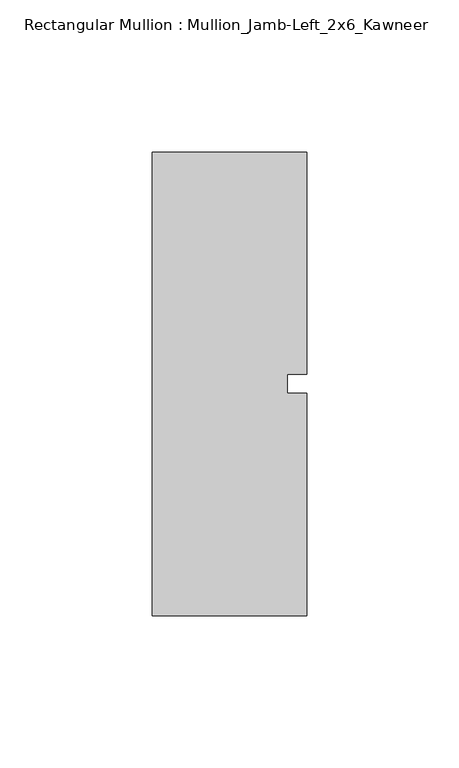
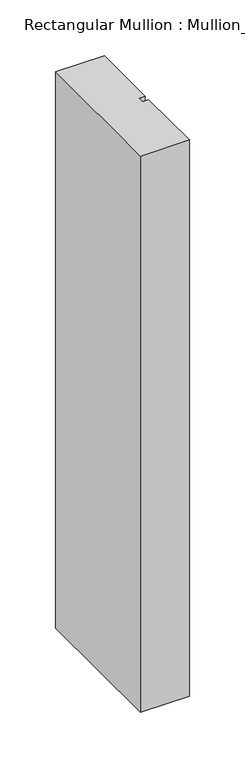
"""IFC4 building model written with IfcOpenShell, lengths in millimetres: member geometry, Rectangular Mullion : Mullion_Jamb-Left_2x6_Kawneer."""

from ifc_helpers import new_model, si_unit, frame, origin, place, context, project, spatial, polyline, outline, extrude, source, transform, mapped, element, save


def rectangular_mullion_mullion_jamb_left_2x6_kawneer_998de290(model_context):
    return source(origin(), model_context, "Body", "SweptSolid", [
        extrude(outline(polyline([(25.4, 76.2), (25.4, 3.175), (19.05, 3.175), (19.05, -3.175), (25.4, -3.175), (25.4, -76.2), (-25.4, -76.2), (-25.4, 76.2), (25.4, 76.2)])), frame((0.0, 0.0, -609.6), z_axis=(0.0, 0.0, 1.0), x_axis=(1.0, 0.0, 0.0)), (0.0, 0.0, 1.0), 609.6),
    ])


if __name__ == "__main__":
    model = new_model("IFC4")
    model_context = context("Model", 3, world=origin())
    ifc_project = project(units=[si_unit("LENGTHUNIT", "METRE", prefix="MILLI")], contexts=[model_context])
    site = spatial("IfcSite", under=ifc_project)
    building = spatial("IfcBuilding", under=site)
    placement = place(None, origin())
    rectangular_mullion_mullion_jamb_left_2x6_kawneer_shape = rectangular_mullion_mullion_jamb_left_2x6_kawneer_998de290(model_context)
    element("IfcMember", 1, ObjectType="Rectangular Mullion : Mullion_Jamb-Left_2x6_Kawneer", at=placement, inside=building, context=model_context, shape_type="MappedRepresentation", body=[
        mapped(rectangular_mullion_mullion_jamb_left_2x6_kawneer_shape, transform((0.0, 0.0, 0.0), x_axis=(1.0, 0.0, 0.0), y_axis=(0.0, 1.0, 0.0), z_axis=(0.0, 0.0, 1.0))),
    ])
    save(model, "model.ifc")
